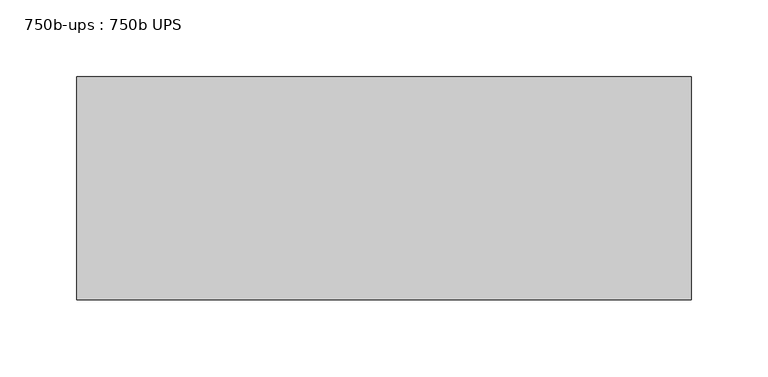
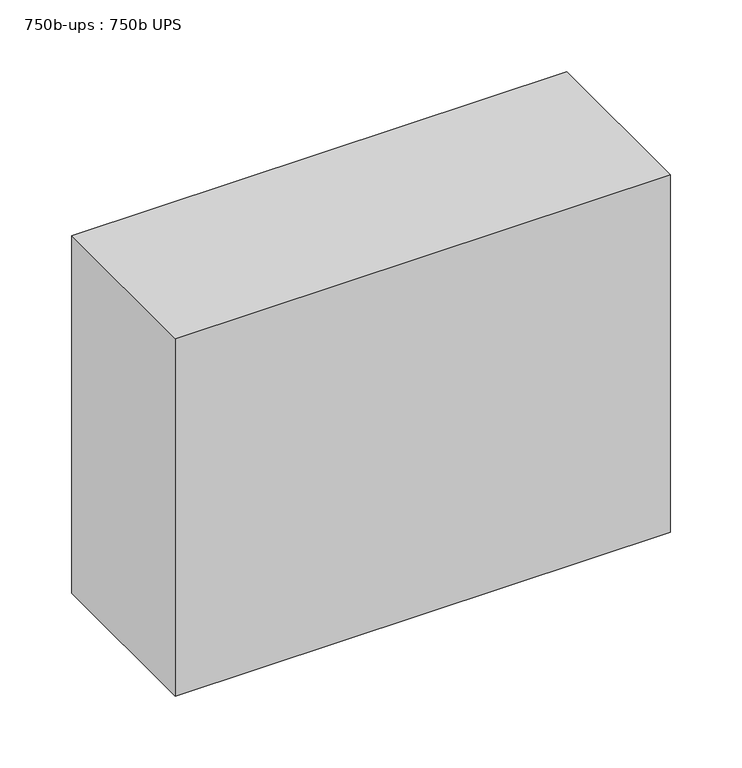
"""IFC4 building model written with IfcOpenShell, lengths in millimetres: proxy geometry, 750b-ups : 750b UPS."""

from ifc_helpers import new_model, si_unit, origin, origin_with_axes, place, context, project, spatial, polyline, outline, extrude, source, transform, mapped, element, save


def proxy_750b_ups_750b_ups_2673777f(model_context):
    return source(origin(), model_context, "Body", "SweptSolid", [
        extrude(outline(polyline([(199.3453271, -1089.4049579), (199.3453271, -1234.1849579), (-199.4346729, -1234.1849579), (-199.4346729, -1089.4049579), (199.3453271, -1089.4049579)])), origin_with_axes(), (0.0, 0.0, 1.0), 304.8),
    ])


if __name__ == "__main__":
    model = new_model("IFC4")
    model_context = context("Model", 3, world=origin())
    ifc_project = project(units=[si_unit("LENGTHUNIT", "METRE", prefix="MILLI")], contexts=[model_context])
    site = spatial("IfcSite", under=ifc_project)
    building = spatial("IfcBuilding", under=site)
    placement = place(None, origin())
    proxy_750b_ups_750b_ups_shape = proxy_750b_ups_750b_ups_2673777f(model_context)
    element("IfcBuildingElementProxy", 1, Name="750b-ups : 750b UPS", ObjectType="750b-ups : 750b UPS", at=placement, inside=building, context=model_context, shape_type="MappedRepresentation", body=[
        mapped(proxy_750b_ups_750b_ups_shape, transform((0.0, 0.0, 0.0), x_axis=(1.0, 0.0, 0.0), y_axis=(0.0, 1.0, 0.0), z_axis=(0.0, 0.0, 1.0))),
    ])
    save(model, "model.ifc")
